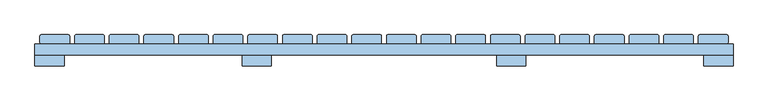
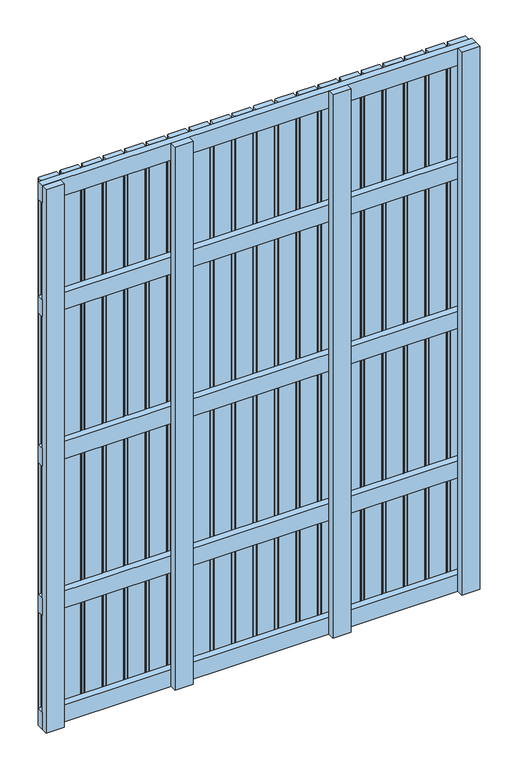
"""IFC4 building model written with IfcOpenShell, lengths in millimetres: window geometry."""

from ifc_helpers import new_model, si_unit, point, frame, frame_2d, origin, place, context, project, spatial, polyline, circle_curve, trimmed, segment, composite_curve, outline, extrude, source, transform, mapped, element, save


def window_ba0a460f(model_context):
    return source(origin(), model_context, "Body", "SweptSolid", [
        extrude(outline(polyline([(755.5, 148.0), (755.5, 124.0), (-755.5, 124.0), (-755.5, 148.0), (755.5, 148.0)])), frame((0.0, 0.0, 1618.5), z_axis=(0.0, 0.0, 1.0), x_axis=(1.0, 0.0, 0.0)), (0.0, 0.0, 1.0), 63.0),
        extrude(outline(polyline([(755.5, 148.0), (755.5, 124.0), (-755.5, 124.0), (-755.5, 148.0), (755.5, 148.0)])), frame((0.0, 0.0, 1068.5), z_axis=(0.0, 0.0, 1.0), x_axis=(1.0, 0.0, 0.0)), (0.0, 0.0, 1.0), 63.0),
        extrude(outline(polyline([(755.5, 148.0), (755.5, 124.0), (-755.5, 124.0), (-755.5, 148.0), (755.5, 148.0)])), frame((0.0, 0.0, 518.5), z_axis=(0.0, 0.0, 1.0), x_axis=(1.0, 0.0, 0.0)), (0.0, 0.0, 1.0), 63.0),
        extrude(outline(polyline([(755.5, 148.0), (755.5, 124.0), (-755.5, 124.0), (-755.5, 148.0), (755.5, 148.0)])), frame((0.0, 0.0, 2037.0), z_axis=(0.0, 0.0, 1.0), x_axis=(1.0, 0.0, 0.0)), (0.0, 0.0, 1.0), 63.0),
        extrude(outline(polyline([(755.5, 148.0), (755.5, 124.0), (-755.5, 124.0), (-755.5, 148.0), (755.5, 148.0)])), frame((0.0, 0.0, 100.0), z_axis=(0.0, 0.0, 1.0), x_axis=(1.0, 0.0, 0.0)), (0.0, 0.0, 1.0), 63.0),
        extrude(outline(composite_curve([segment(polyline([(-666.5, 168.0), (-608.5, 168.0)]), True, "CONTINUOUS"), segment(trimmed(circle_curve(frame_2d((-608.5, 165.0)), 3.0), [point((-608.5, 168.0))], [point((-605.5, 165.0))], False, "CARTESIAN"), True, "CONTINUOUS"), segment(polyline([(-605.5, 165.0), (-605.5, 151.0)]), True, "CONTINUOUS"), segment(trimmed(circle_curve(frame_2d((-608.5, 151.0)), 3.0), [point((-605.5, 151.0))], [point((-608.5, 148.0))], False, "CARTESIAN"), True, "CONTINUOUS"), segment(polyline([(-608.5, 148.0), (-666.5, 148.0)]), True, "CONTINUOUS"), segment(trimmed(circle_curve(frame_2d((-666.5, 151.0)), 3.0), [point((-666.5, 148.0))], [point((-669.5, 151.0))], False, "CARTESIAN"), True, "CONTINUOUS"), segment(polyline([(-669.5, 151.0), (-669.5, 165.0)]), True, "CONTINUOUS"), segment(trimmed(circle_curve(frame_2d((-666.5, 165.0)), 3.0), [point((-669.5, 165.0))], [point((-666.5, 168.0))], False, "CARTESIAN"), True, "CONTINUOUS")], self_intersect=False)), frame((0.0, 0.0, 100.0), z_axis=(0.0, 0.0, 1.0), x_axis=(1.0, 0.0, 0.0)), (0.0, 0.0, 1.0), 2000.0),
        extrude(outline(composite_curve([segment(polyline([(-591.5, 168.0), (-533.5, 168.0)]), True, "CONTINUOUS"), segment(trimmed(circle_curve(frame_2d((-533.5, 165.0)), 3.0), [point((-533.5, 168.0))], [point((-530.5, 165.0))], False, "CARTESIAN"), True, "CONTINUOUS"), segment(polyline([(-530.5, 165.0), (-530.5, 151.0)]), True, "CONTINUOUS"), segment(trimmed(circle_curve(frame_2d((-533.5, 151.0)), 3.0), [point((-530.5, 151.0))], [point((-533.5, 148.0))], False, "CARTESIAN"), True, "CONTINUOUS"), segment(polyline([(-533.5, 148.0), (-591.5, 148.0)]), True, "CONTINUOUS"), segment(trimmed(circle_curve(frame_2d((-591.5, 151.0)), 3.0), [point((-591.5, 148.0))], [point((-594.5, 151.0))], False, "CARTESIAN"), True, "CONTINUOUS"), segment(polyline([(-594.5, 151.0), (-594.5, 165.0)]), True, "CONTINUOUS"), segment(trimmed(circle_curve(frame_2d((-591.5, 165.0)), 3.0), [point((-594.5, 165.0))], [point((-591.5, 168.0))], False, "CARTESIAN"), True, "CONTINUOUS")], self_intersect=False)), frame((0.0, 0.0, 100.0), z_axis=(0.0, 0.0, 1.0), x_axis=(1.0, 0.0, 0.0)), (0.0, 0.0, 1.0), 2000.0),
        extrude(outline(composite_curve([segment(polyline([(-516.5, 168.0), (-458.5, 168.0)]), True, "CONTINUOUS"), segment(trimmed(circle_curve(frame_2d((-458.5, 165.0)), 3.0), [point((-458.5, 168.0))], [point((-455.5, 165.0))], False, "CARTESIAN"), True, "CONTINUOUS"), segment(polyline([(-455.5, 165.0), (-455.5, 151.0)]), True, "CONTINUOUS"), segment(trimmed(circle_curve(frame_2d((-458.5, 151.0)), 3.0), [point((-455.5, 151.0))], [point((-458.5, 148.0))], False, "CARTESIAN"), True, "CONTINUOUS"), segment(polyline([(-458.5, 148.0), (-516.5, 148.0)]), True, "CONTINUOUS"), segment(trimmed(circle_curve(frame_2d((-516.5, 151.0)), 3.0), [point((-516.5, 148.0))], [point((-519.5, 151.0))], False, "CARTESIAN"), True, "CONTINUOUS"), segment(polyline([(-519.5, 151.0), (-519.5, 165.0)]), True, "CONTINUOUS"), segment(trimmed(circle_curve(frame_2d((-516.5, 165.0)), 3.0), [point((-519.5, 165.0))], [point((-516.5, 168.0))], False, "CARTESIAN"), True, "CONTINUOUS")], self_intersect=False)), frame((0.0, 0.0, 100.0), z_axis=(0.0, 0.0, 1.0), x_axis=(1.0, 0.0, 0.0)), (0.0, 0.0, 1.0), 2000.0),
        extrude(outline(composite_curve([segment(polyline([(-441.5, 168.0), (-383.5, 168.0)]), True, "CONTINUOUS"), segment(trimmed(circle_curve(frame_2d((-383.5, 165.0)), 3.0), [point((-383.5, 168.0))], [point((-380.5, 165.0))], False, "CARTESIAN"), True, "CONTINUOUS"), segment(polyline([(-380.5, 165.0), (-380.5, 151.0)]), True, "CONTINUOUS"), segment(trimmed(circle_curve(frame_2d((-383.5, 151.0)), 3.0), [point((-380.5, 151.0))], [point((-383.5, 148.0))], False, "CARTESIAN"), True, "CONTINUOUS"), segment(polyline([(-383.5, 148.0), (-441.5, 148.0)]), True, "CONTINUOUS"), segment(trimmed(circle_curve(frame_2d((-441.5, 151.0)), 3.0), [point((-441.5, 148.0))], [point((-444.5, 151.0))], False, "CARTESIAN"), True, "CONTINUOUS"), segment(polyline([(-444.5, 151.0), (-444.5, 165.0)]), True, "CONTINUOUS"), segment(trimmed(circle_curve(frame_2d((-441.5, 165.0)), 3.0), [point((-444.5, 165.0))], [point((-441.5, 168.0))], False, "CARTESIAN"), True, "CONTINUOUS")], self_intersect=False)), frame((0.0, 0.0, 100.0), z_axis=(0.0, 0.0, 1.0), x_axis=(1.0, 0.0, 0.0)), (0.0, 0.0, 1.0), 2000.0),
        extrude(outline(composite_curve([segment(polyline([(-366.5, 168.0), (-308.5, 168.0)]), True, "CONTINUOUS"), segment(trimmed(circle_curve(frame_2d((-308.5, 165.0)), 3.0), [point((-308.5, 168.0))], [point((-305.5, 165.0))], False, "CARTESIAN"), True, "CONTINUOUS"), segment(polyline([(-305.5, 165.0), (-305.5, 151.0)]), True, "CONTINUOUS"), segment(trimmed(circle_curve(frame_2d((-308.5, 151.0)), 3.0), [point((-305.5, 151.0))], [point((-308.5, 148.0))], False, "CARTESIAN"), True, "CONTINUOUS"), segment(polyline([(-308.5, 148.0), (-366.5, 148.0)]), True, "CONTINUOUS"), segment(trimmed(circle_curve(frame_2d((-366.5, 151.0)), 3.0), [point((-366.5, 148.0))], [point((-369.5, 151.0))], False, "CARTESIAN"), True, "CONTINUOUS"), segment(polyline([(-369.5, 151.0), (-369.5, 165.0)]), True, "CONTINUOUS"), segment(trimmed(circle_curve(frame_2d((-366.5, 165.0)), 3.0), [point((-369.5, 165.0))], [point((-366.5, 168.0))], False, "CARTESIAN"), True, "CONTINUOUS")], self_intersect=False)), frame((0.0, 0.0, 100.0), z_axis=(0.0, 0.0, 1.0), x_axis=(1.0, 0.0, 0.0)), (0.0, 0.0, 1.0), 2000.0),
        extrude(outline(composite_curve([segment(polyline([(-291.5, 168.0), (-233.5, 168.0)]), True, "CONTINUOUS"), segment(trimmed(circle_curve(frame_2d((-233.5, 165.0)), 3.0), [point((-233.5, 168.0))], [point((-230.5, 165.0))], False, "CARTESIAN"), True, "CONTINUOUS"), segment(polyline([(-230.5, 165.0), (-230.5, 151.0)]), True, "CONTINUOUS"), segment(trimmed(circle_curve(frame_2d((-233.5, 151.0)), 3.0), [point((-230.5, 151.0))], [point((-233.5, 148.0))], False, "CARTESIAN"), True, "CONTINUOUS"), segment(polyline([(-233.5, 148.0), (-291.5, 148.0)]), True, "CONTINUOUS"), segment(trimmed(circle_curve(frame_2d((-291.5, 151.0)), 3.0), [point((-291.5, 148.0))], [point((-294.5, 151.0))], False, "CARTESIAN"), True, "CONTINUOUS"), segment(polyline([(-294.5, 151.0), (-294.5, 165.0)]), True, "CONTINUOUS"), segment(trimmed(circle_curve(frame_2d((-291.5, 165.0)), 3.0), [point((-294.5, 165.0))], [point((-291.5, 168.0))], False, "CARTESIAN"), True, "CONTINUOUS")], self_intersect=False)), frame((0.0, 0.0, 100.0), z_axis=(0.0, 0.0, 1.0), x_axis=(1.0, 0.0, 0.0)), (0.0, 0.0, 1.0), 2000.0),
        extrude(outline(composite_curve([segment(polyline([(-216.5, 168.0), (-158.5, 168.0)]), True, "CONTINUOUS"), segment(trimmed(circle_curve(frame_2d((-158.5, 165.0)), 3.0), [point((-158.5, 168.0))], [point((-155.5, 165.0))], False, "CARTESIAN"), True, "CONTINUOUS"), segment(polyline([(-155.5, 165.0), (-155.5, 151.0)]), True, "CONTINUOUS"), segment(trimmed(circle_curve(frame_2d((-158.5, 151.0)), 3.0), [point((-155.5, 151.0))], [point((-158.5, 148.0))], False, "CARTESIAN"), True, "CONTINUOUS"), segment(polyline([(-158.5, 148.0), (-216.5, 148.0)]), True, "CONTINUOUS"), segment(trimmed(circle_curve(frame_2d((-216.5, 151.0)), 3.0), [point((-216.5, 148.0))], [point((-219.5, 151.0))], False, "CARTESIAN"), True, "CONTINUOUS"), segment(polyline([(-219.5, 151.0), (-219.5, 165.0)]), True, "CONTINUOUS"), segment(trimmed(circle_curve(frame_2d((-216.5, 165.0)), 3.0), [point((-219.5, 165.0))], [point((-216.5, 168.0))], False, "CARTESIAN"), True, "CONTINUOUS")], self_intersect=False)), frame((0.0, 0.0, 100.0), z_axis=(0.0, 0.0, 1.0), x_axis=(1.0, 0.0, 0.0)), (0.0, 0.0, 1.0), 2000.0),
        extrude(outline(composite_curve([segment(polyline([(-141.5, 168.0), (-83.5, 168.0)]), True, "CONTINUOUS"), segment(trimmed(circle_curve(frame_2d((-83.5, 165.0)), 3.0), [point((-83.5, 168.0))], [point((-80.5, 165.0))], False, "CARTESIAN"), True, "CONTINUOUS"), segment(polyline([(-80.5, 165.0), (-80.5, 151.0)]), True, "CONTINUOUS"), segment(trimmed(circle_curve(frame_2d((-83.5, 151.0)), 3.0), [point((-80.5, 151.0))], [point((-83.5, 148.0))], False, "CARTESIAN"), True, "CONTINUOUS"), segment(polyline([(-83.5, 148.0), (-141.5, 148.0)]), True, "CONTINUOUS"), segment(trimmed(circle_curve(frame_2d((-141.5, 151.0)), 3.0), [point((-141.5, 148.0))], [point((-144.5, 151.0))], False, "CARTESIAN"), True, "CONTINUOUS"), segment(polyline([(-144.5, 151.0), (-144.5, 165.0)]), True, "CONTINUOUS"), segment(trimmed(circle_curve(frame_2d((-141.5, 165.0)), 3.0), [point((-144.5, 165.0))], [point((-141.5, 168.0))], False, "CARTESIAN"), True, "CONTINUOUS")], self_intersect=False)), frame((0.0, 0.0, 100.0), z_axis=(0.0, 0.0, 1.0), x_axis=(1.0, 0.0, 0.0)), (0.0, 0.0, 1.0), 2000.0),
        extrude(outline(composite_curve([segment(polyline([(-66.5, 168.0), (-8.5, 168.0)]), True, "CONTINUOUS"), segment(trimmed(circle_curve(frame_2d((-8.5, 165.0)), 3.0), [point((-8.5, 168.0))], [point((-5.5, 165.0))], False, "CARTESIAN"), True, "CONTINUOUS"), segment(polyline([(-5.5, 165.0), (-5.5, 151.0)]), True, "CONTINUOUS"), segment(trimmed(circle_curve(frame_2d((-8.5, 151.0)), 3.0), [point((-5.5, 151.0))], [point((-8.5, 148.0))], False, "CARTESIAN"), True, "CONTINUOUS"), segment(polyline([(-8.5, 148.0), (-66.5, 148.0)]), True, "CONTINUOUS"), segment(trimmed(circle_curve(frame_2d((-66.5, 151.0)), 3.0), [point((-66.5, 148.0))], [point((-69.5, 151.0))], False, "CARTESIAN"), True, "CONTINUOUS"), segment(polyline([(-69.5, 151.0), (-69.5, 165.0)]), True, "CONTINUOUS"), segment(trimmed(circle_curve(frame_2d((-66.5, 165.0)), 3.0), [point((-69.5, 165.0))], [point((-66.5, 168.0))], False, "CARTESIAN"), True, "CONTINUOUS")], self_intersect=False)), frame((0.0, 0.0, 100.0), z_axis=(0.0, 0.0, 1.0), x_axis=(1.0, 0.0, 0.0)), (0.0, 0.0, 1.0), 2000.0),
        extrude(outline(composite_curve([segment(polyline([(8.5, 168.0), (66.5, 168.0)]), True, "CONTINUOUS"), segment(trimmed(circle_curve(frame_2d((66.5, 165.0)), 3.0), [point((66.5, 168.0))], [point((69.5, 165.0))], False, "CARTESIAN"), True, "CONTINUOUS"), segment(polyline([(69.5, 165.0), (69.5, 151.0)]), True, "CONTINUOUS"), segment(trimmed(circle_curve(frame_2d((66.5, 151.0)), 3.0), [point((69.5, 151.0))], [point((66.5, 148.0))], False, "CARTESIAN"), True, "CONTINUOUS"), segment(polyline([(66.5, 148.0), (8.5, 148.0)]), True, "CONTINUOUS"), segment(trimmed(circle_curve(frame_2d((8.5, 151.0)), 3.0), [point((8.5, 148.0))], [point((5.5, 151.0))], False, "CARTESIAN"), True, "CONTINUOUS"), segment(polyline([(5.5, 151.0), (5.5, 165.0)]), True, "CONTINUOUS"), segment(trimmed(circle_curve(frame_2d((8.5, 165.0)), 3.0), [point((5.5, 165.0))], [point((8.5, 168.0))], False, "CARTESIAN"), True, "CONTINUOUS")], self_intersect=False)), frame((0.0, 0.0, 100.0), z_axis=(0.0, 0.0, 1.0), x_axis=(1.0, 0.0, 0.0)), (0.0, 0.0, 1.0), 2000.0),
        extrude(outline(composite_curve([segment(polyline([(83.5, 168.0), (141.5, 168.0)]), True, "CONTINUOUS"), segment(trimmed(circle_curve(frame_2d((141.5, 165.0)), 3.0), [point((141.5, 168.0))], [point((144.5, 165.0))], False, "CARTESIAN"), True, "CONTINUOUS"), segment(polyline([(144.5, 165.0), (144.5, 151.0)]), True, "CONTINUOUS"), segment(trimmed(circle_curve(frame_2d((141.5, 151.0)), 3.0), [point((144.5, 151.0))], [point((141.5, 148.0))], False, "CARTESIAN"), True, "CONTINUOUS"), segment(polyline([(141.5, 148.0), (83.5, 148.0)]), True, "CONTINUOUS"), segment(trimmed(circle_curve(frame_2d((83.5, 151.0)), 3.0), [point((83.5, 148.0))], [point((80.5, 151.0))], False, "CARTESIAN"), True, "CONTINUOUS"), segment(polyline([(80.5, 151.0), (80.5, 165.0)]), True, "CONTINUOUS"), segment(trimmed(circle_curve(frame_2d((83.5, 165.0)), 3.0), [point((80.5, 165.0))], [point((83.5, 168.0))], False, "CARTESIAN"), True, "CONTINUOUS")], self_intersect=False)), frame((0.0, 0.0, 100.0), z_axis=(0.0, 0.0, 1.0), x_axis=(1.0, 0.0, 0.0)), (0.0, 0.0, 1.0), 2000.0),
        extrude(outline(composite_curve([segment(polyline([(158.5, 168.0), (216.5, 168.0)]), True, "CONTINUOUS"), segment(trimmed(circle_curve(frame_2d((216.5, 165.0)), 3.0), [point((216.5, 168.0))], [point((219.5, 165.0))], False, "CARTESIAN"), True, "CONTINUOUS"), segment(polyline([(219.5, 165.0), (219.5, 151.0)]), True, "CONTINUOUS"), segment(trimmed(circle_curve(frame_2d((216.5, 151.0)), 3.0), [point((219.5, 151.0))], [point((216.5, 148.0))], False, "CARTESIAN"), True, "CONTINUOUS"), segment(polyline([(216.5, 148.0), (158.5, 148.0)]), True, "CONTINUOUS"), segment(trimmed(circle_curve(frame_2d((158.5, 151.0)), 3.0), [point((158.5, 148.0))], [point((155.5, 151.0))], False, "CARTESIAN"), True, "CONTINUOUS"), segment(polyline([(155.5, 151.0), (155.5, 165.0)]), True, "CONTINUOUS"), segment(trimmed(circle_curve(frame_2d((158.5, 165.0)), 3.0), [point((155.5, 165.0))], [point((158.5, 168.0))], False, "CARTESIAN"), True, "CONTINUOUS")], self_intersect=False)), frame((0.0, 0.0, 100.0), z_axis=(0.0, 0.0, 1.0), x_axis=(1.0, 0.0, 0.0)), (0.0, 0.0, 1.0), 2000.0),
        extrude(outline(composite_curve([segment(polyline([(233.5, 168.0), (291.5, 168.0)]), True, "CONTINUOUS"), segment(trimmed(circle_curve(frame_2d((291.5, 165.0)), 3.0), [point((291.5, 168.0))], [point((294.5, 165.0))], False, "CARTESIAN"), True, "CONTINUOUS"), segment(polyline([(294.5, 165.0), (294.5, 151.0)]), True, "CONTINUOUS"), segment(trimmed(circle_curve(frame_2d((291.5, 151.0)), 3.0), [point((294.5, 151.0))], [point((291.5, 148.0))], False, "CARTESIAN"), True, "CONTINUOUS"), segment(polyline([(291.5, 148.0), (233.5, 148.0)]), True, "CONTINUOUS"), segment(trimmed(circle_curve(frame_2d((233.5, 151.0)), 3.0), [point((233.5, 148.0))], [point((230.5, 151.0))], False, "CARTESIAN"), True, "CONTINUOUS"), segment(polyline([(230.5, 151.0), (230.5, 165.0)]), True, "CONTINUOUS"), segment(trimmed(circle_curve(frame_2d((233.5, 165.0)), 3.0), [point((230.5, 165.0))], [point((233.5, 168.0))], False, "CARTESIAN"), True, "CONTINUOUS")], self_intersect=False)), frame((0.0, 0.0, 100.0), z_axis=(0.0, 0.0, 1.0), x_axis=(1.0, 0.0, 0.0)), (0.0, 0.0, 1.0), 2000.0),
        extrude(outline(composite_curve([segment(polyline([(308.5, 168.0), (366.5, 168.0)]), True, "CONTINUOUS"), segment(trimmed(circle_curve(frame_2d((366.5, 165.0)), 3.0), [point((366.5, 168.0))], [point((369.5, 165.0))], False, "CARTESIAN"), True, "CONTINUOUS"), segment(polyline([(369.5, 165.0), (369.5, 151.0)]), True, "CONTINUOUS"), segment(trimmed(circle_curve(frame_2d((366.5, 151.0)), 3.0), [point((369.5, 151.0))], [point((366.5, 148.0))], False, "CARTESIAN"), True, "CONTINUOUS"), segment(polyline([(366.5, 148.0), (308.5, 148.0)]), True, "CONTINUOUS"), segment(trimmed(circle_curve(frame_2d((308.5, 151.0)), 3.0), [point((308.5, 148.0))], [point((305.5, 151.0))], False, "CARTESIAN"), True, "CONTINUOUS"), segment(polyline([(305.5, 151.0), (305.5, 165.0)]), True, "CONTINUOUS"), segment(trimmed(circle_curve(frame_2d((308.5, 165.0)), 3.0), [point((305.5, 165.0))], [point((308.5, 168.0))], False, "CARTESIAN"), True, "CONTINUOUS")], self_intersect=False)), frame((0.0, 0.0, 100.0), z_axis=(0.0, 0.0, 1.0), x_axis=(1.0, 0.0, 0.0)), (0.0, 0.0, 1.0), 2000.0),
        extrude(outline(composite_curve([segment(polyline([(383.5, 168.0), (441.5, 168.0)]), True, "CONTINUOUS"), segment(trimmed(circle_curve(frame_2d((441.5, 165.0)), 3.0), [point((441.5, 168.0))], [point((444.5, 165.0))], False, "CARTESIAN"), True, "CONTINUOUS"), segment(polyline([(444.5, 165.0), (444.5, 151.0)]), True, "CONTINUOUS"), segment(trimmed(circle_curve(frame_2d((441.5, 151.0)), 3.0), [point((444.5, 151.0))], [point((441.5, 148.0))], False, "CARTESIAN"), True, "CONTINUOUS"), segment(polyline([(441.5, 148.0), (383.5, 148.0)]), True, "CONTINUOUS"), segment(trimmed(circle_curve(frame_2d((383.5, 151.0)), 3.0), [point((383.5, 148.0))], [point((380.5, 151.0))], False, "CARTESIAN"), True, "CONTINUOUS"), segment(polyline([(380.5, 151.0), (380.5, 165.0)]), True, "CONTINUOUS"), segment(trimmed(circle_curve(frame_2d((383.5, 165.0)), 3.0), [point((380.5, 165.0))], [point((383.5, 168.0))], False, "CARTESIAN"), True, "CONTINUOUS")], self_intersect=False)), frame((0.0, 0.0, 100.0), z_axis=(0.0, 0.0, 1.0), x_axis=(1.0, 0.0, 0.0)), (0.0, 0.0, 1.0), 2000.0),
        extrude(outline(composite_curve([segment(polyline([(458.5, 168.0), (516.5, 168.0)]), True, "CONTINUOUS"), segment(trimmed(circle_curve(frame_2d((516.5, 165.0)), 3.0), [point((516.5, 168.0))], [point((519.5, 165.0))], False, "CARTESIAN"), True, "CONTINUOUS"), segment(polyline([(519.5, 165.0), (519.5, 151.0)]), True, "CONTINUOUS"), segment(trimmed(circle_curve(frame_2d((516.5, 151.0)), 3.0), [point((519.5, 151.0))], [point((516.5, 148.0))], False, "CARTESIAN"), True, "CONTINUOUS"), segment(polyline([(516.5, 148.0), (458.5, 148.0)]), True, "CONTINUOUS"), segment(trimmed(circle_curve(frame_2d((458.5, 151.0)), 3.0), [point((458.5, 148.0))], [point((455.5, 151.0))], False, "CARTESIAN"), True, "CONTINUOUS"), segment(polyline([(455.5, 151.0), (455.5, 165.0)]), True, "CONTINUOUS"), segment(trimmed(circle_curve(frame_2d((458.5, 165.0)), 3.0), [point((455.5, 165.0))], [point((458.5, 168.0))], False, "CARTESIAN"), True, "CONTINUOUS")], self_intersect=False)), frame((0.0, 0.0, 100.0), z_axis=(0.0, 0.0, 1.0), x_axis=(1.0, 0.0, 0.0)), (0.0, 0.0, 1.0), 2000.0),
        extrude(outline(composite_curve([segment(polyline([(533.5, 168.0), (591.5, 168.0)]), True, "CONTINUOUS"), segment(trimmed(circle_curve(frame_2d((591.5, 165.0)), 3.0), [point((591.5, 168.0))], [point((594.5, 165.0))], False, "CARTESIAN"), True, "CONTINUOUS"), segment(polyline([(594.5, 165.0), (594.5, 151.0)]), True, "CONTINUOUS"), segment(trimmed(circle_curve(frame_2d((591.5, 151.0)), 3.0), [point((594.5, 151.0))], [point((591.5, 148.0))], False, "CARTESIAN"), True, "CONTINUOUS"), segment(polyline([(591.5, 148.0), (533.5, 148.0)]), True, "CONTINUOUS"), segment(trimmed(circle_curve(frame_2d((533.5, 151.0)), 3.0), [point((533.5, 148.0))], [point((530.5, 151.0))], False, "CARTESIAN"), True, "CONTINUOUS"), segment(polyline([(530.5, 151.0), (530.5, 165.0)]), True, "CONTINUOUS"), segment(trimmed(circle_curve(frame_2d((533.5, 165.0)), 3.0), [point((530.5, 165.0))], [point((533.5, 168.0))], False, "CARTESIAN"), True, "CONTINUOUS")], self_intersect=False)), frame((0.0, 0.0, 100.0), z_axis=(0.0, 0.0, 1.0), x_axis=(1.0, 0.0, 0.0)), (0.0, 0.0, 1.0), 2000.0),
        extrude(outline(composite_curve([segment(polyline([(608.5, 168.0), (666.5, 168.0)]), True, "CONTINUOUS"), segment(trimmed(circle_curve(frame_2d((666.5, 165.0)), 3.0), [point((666.5, 168.0))], [point((669.5, 165.0))], False, "CARTESIAN"), True, "CONTINUOUS"), segment(polyline([(669.5, 165.0), (669.5, 151.0)]), True, "CONTINUOUS"), segment(trimmed(circle_curve(frame_2d((666.5, 151.0)), 3.0), [point((669.5, 151.0))], [point((666.5, 148.0))], False, "CARTESIAN"), True, "CONTINUOUS"), segment(polyline([(666.5, 148.0), (608.5, 148.0)]), True, "CONTINUOUS"), segment(trimmed(circle_curve(frame_2d((608.5, 151.0)), 3.0), [point((608.5, 148.0))], [point((605.5, 151.0))], False, "CARTESIAN"), True, "CONTINUOUS"), segment(polyline([(605.5, 151.0), (605.5, 165.0)]), True, "CONTINUOUS"), segment(trimmed(circle_curve(frame_2d((608.5, 165.0)), 3.0), [point((605.5, 165.0))], [point((608.5, 168.0))], False, "CARTESIAN"), True, "CONTINUOUS")], self_intersect=False)), frame((0.0, 0.0, 100.0), z_axis=(0.0, 0.0, 1.0), x_axis=(1.0, 0.0, 0.0)), (0.0, 0.0, 1.0), 2000.0),
        extrude(outline(composite_curve([segment(polyline([(-741.5, 168.0), (-683.5, 168.0)]), True, "CONTINUOUS"), segment(trimmed(circle_curve(frame_2d((-683.5, 165.0)), 3.0), [point((-683.5, 168.0))], [point((-680.5, 165.0))], False, "CARTESIAN"), True, "CONTINUOUS"), segment(polyline([(-680.5, 165.0), (-680.5, 151.0)]), True, "CONTINUOUS"), segment(trimmed(circle_curve(frame_2d((-683.5, 151.0)), 3.0), [point((-680.5, 151.0))], [point((-683.5, 148.0))], False, "CARTESIAN"), True, "CONTINUOUS"), segment(polyline([(-683.5, 148.0), (-741.5, 148.0)]), True, "CONTINUOUS"), segment(trimmed(circle_curve(frame_2d((-741.5, 151.0)), 3.0), [point((-741.5, 148.0))], [point((-744.5, 151.0))], False, "CARTESIAN"), True, "CONTINUOUS"), segment(polyline([(-744.5, 151.0), (-744.5, 165.0)]), True, "CONTINUOUS"), segment(trimmed(circle_curve(frame_2d((-741.5, 165.0)), 3.0), [point((-744.5, 165.0))], [point((-741.5, 168.0))], False, "CARTESIAN"), True, "CONTINUOUS")], self_intersect=False)), frame((0.0, 0.0, 100.0), z_axis=(0.0, 0.0, 1.0), x_axis=(1.0, 0.0, 0.0)), (0.0, 0.0, 1.0), 2000.0),
        extrude(outline(composite_curve([segment(polyline([(683.5, 168.0), (741.5, 168.0)]), True, "CONTINUOUS"), segment(trimmed(circle_curve(frame_2d((741.5, 165.0)), 3.0), [point((741.5, 168.0))], [point((744.5, 165.0))], False, "CARTESIAN"), True, "CONTINUOUS"), segment(polyline([(744.5, 165.0), (744.5, 151.0)]), True, "CONTINUOUS"), segment(trimmed(circle_curve(frame_2d((741.5, 151.0)), 3.0), [point((744.5, 151.0))], [point((741.5, 148.0))], False, "CARTESIAN"), True, "CONTINUOUS"), segment(polyline([(741.5, 148.0), (683.5, 148.0)]), True, "CONTINUOUS"), segment(trimmed(circle_curve(frame_2d((683.5, 151.0)), 3.0), [point((683.5, 148.0))], [point((680.5, 151.0))], False, "CARTESIAN"), True, "CONTINUOUS"), segment(polyline([(680.5, 151.0), (680.5, 165.0)]), True, "CONTINUOUS"), segment(trimmed(circle_curve(frame_2d((683.5, 165.0)), 3.0), [point((680.5, 165.0))], [point((683.5, 168.0))], False, "CARTESIAN"), True, "CONTINUOUS")], self_intersect=False)), frame((0.0, 0.0, 100.0), z_axis=(0.0, 0.0, 1.0), x_axis=(1.0, 0.0, 0.0)), (0.0, 0.0, 1.0), 2000.0),
        extrude(outline(polyline([(-306.5, 124.0), (-243.5, 124.0), (-243.5, 100.0), (-306.5, 100.0), (-306.5, 124.0)])), frame((0.0, 0.0, 100.0), z_axis=(0.0, 0.0, 1.0), x_axis=(1.0, 0.0, 0.0)), (0.0, 0.0, 1.0), 2000.0),
        extrude(outline(polyline([(243.5, 124.0), (306.5, 124.0), (306.5, 100.0), (243.5, 100.0), (243.5, 124.0)])), frame((0.0, 0.0, 100.0), z_axis=(0.0, 0.0, 1.0), x_axis=(1.0, 0.0, 0.0)), (0.0, 0.0, 1.0), 2000.0),
        extrude(outline(polyline([(-755.5, 124.0), (-692.5, 124.0), (-692.5, 100.0), (-755.5, 100.0), (-755.5, 124.0)])), frame((0.0, 0.0, 100.0), z_axis=(0.0, 0.0, 1.0), x_axis=(1.0, 0.0, 0.0)), (0.0, 0.0, 1.0), 2000.0),
        extrude(outline(polyline([(692.5, 124.0), (755.5, 124.0), (755.5, 100.0), (692.5, 100.0), (692.5, 124.0)])), frame((0.0, 0.0, 100.0), z_axis=(0.0, 0.0, 1.0), x_axis=(1.0, 0.0, 0.0)), (0.0, 0.0, 1.0), 2000.0),
    ])


if __name__ == "__main__":
    model = new_model("IFC4")
    model_context = context("Model", 3, world=origin())
    ifc_project = project(units=[si_unit("LENGTHUNIT", "METRE", prefix="MILLI")], contexts=[model_context])
    site = spatial("IfcSite", under=ifc_project)
    building = spatial("IfcBuilding", under=site)
    placement = place(None, origin())
    window_shape = window_ba0a460f(model_context)
    element("IfcWindow", 1, at=placement, inside=building, context=model_context, shape_type="MappedRepresentation", body=[
        mapped(window_shape, transform((0.0, 0.0, 0.0), x_axis=(1.0, 0.0, 0.0), y_axis=(0.0, 1.0, 0.0), z_axis=(0.0, 0.0, 1.0))),
    ])
    save(model, "model.ifc")
